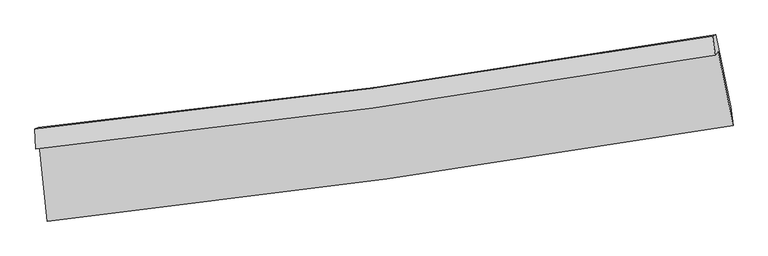
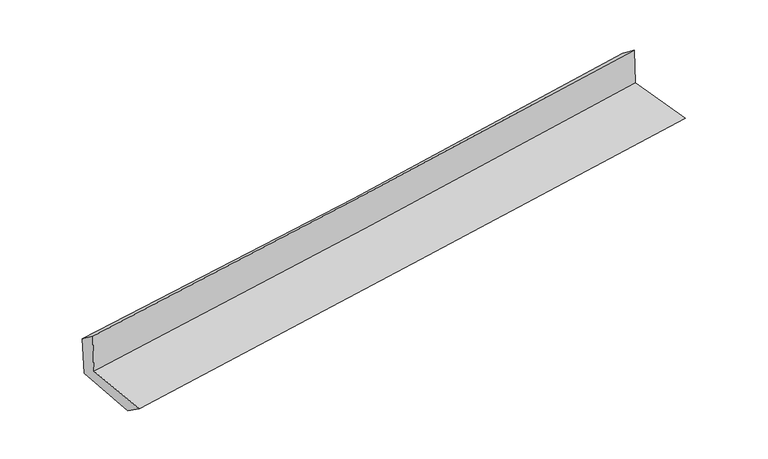
"""IFC4 building model written with IfcOpenShell, lengths in millimetres: proxy geometry."""

from ifc_helpers import new_model, si_unit, frame, origin, place, context, project, spatial, source, transform, mapped, element, save
from ifc_brep_helpers import plane_surface, spline_curve, spline_surface, advanced_brep


def generic_models_031efea0(model_context):
    return source(origin(), model_context, "Body", "AdvancedBrep", [
        advanced_brep(
        [(-3014.6118094, -1899.3294452, 1644.8091704), (-2941.8177392, -2571.3187015, 1623.6889347), (3114.5444617, -1723.4330701, 2120.3890634), (2982.4991841, -1071.6101126, 2151.2049593), (-3043.952931, -1930.597689, 2050.4738153), (2955.4624069, -1100.8839319, 2532.0308144), (-3051.9352954, -1755.7863058, 1919.8614661), (2933.3173168, -934.078293, 2404.8949722), (-3021.9159844, -1744.1308975, 1531.5517897), (2963.5421419, -922.8358153, 2028.604404), (-2950.7046861, -2390.6166784, 1496.572621), (3092.2644783, -1555.2908441, 1991.7411689)],
        [
            (0, 1),
            (1, 2, spline_curve(3, [(-2941.8177392, -2571.3187015, 1623.6889347), (-1941.652088564, -2461.787596989, 1730.447798092), (-942.093054458, -2337.253688553, 1824.918819846), (1076.720005034, -2055.259738889, 1991.005285046), (2095.94837097, -1897.165103559, 2062.100973138), (3114.5444617, -1723.4330701, 2120.3890634)], [4, 2, 4], [0.0, 9.913780920809323, 20.035058765658004])),
            (2, 3),
            (3, 0, spline_curve(3, [(2982.4991841, -1071.6101126, 2151.2049593), (1975.975855134, -1245.238447495, 2086.299167672), (967.761757313, -1401.566255567, 2011.104103631), (-1031.343854692, -1676.770612987, 1841.88794988), (-2022.166754909, -1796.349248817, 1748.284417712), (-3014.6118094, -1899.3294452, 1644.8091704)], [4, 2, 4], [0.0, 10.12127784484868, 20.035058765658004])),
            (4, 0),
            (3, 5),
            (5, 4, spline_curve(3, [(2955.4624069, -1100.8839319, 2532.0308144), (1948.672480356, -1274.716875204, 2469.53955582), (940.130437752, -1431.315590919, 2397.652250406), (-1059.745779213, -1707.187446958, 2236.751942257), (-2051.00884909, -1827.159983784, 2148.120247548), (-3043.952931, -1930.597689, 2050.4738153)], [4, 2, 4], [0.0, 10.071569815486791, 19.936661774225012])),
            (6, 4),
            (5, 7),
            (7, 6, spline_curve(3, [(2933.3173168, -934.078293, 2404.8949722), (1929.84324808, -1106.503245966, 2333.471251022), (924.146763753, -1261.724221706, 2256.868229321), (-1071.027629948, -1534.928723931, 2094.980208379), (-2060.415349836, -1653.610418915, 2009.905394758), (-3051.9352954, -1755.7863058, 1919.8614661)], [4, 2, 4], [0.0, 10.059517567340045, 19.912804361793512])),
            (8, 6),
            (7, 9),
            (9, 8, spline_curve(3, [(2963.5421419, -922.8358153, 2028.604404), (1959.970378668, -1095.300977254, 1955.839062973), (954.208070424, -1250.506722169, 1877.549732275), (-1041.033534532, -1523.571330704, 1711.641354224), (-2030.423934981, -1642.13061365, 1624.246479874), (-3021.9159844, -1744.1308975, 1531.5517897)], [4, 2, 4], [0.0, 10.048028614304393, 19.89006199143735])),
            (10, 8),
            (9, 11),
            (11, 10, spline_curve(3, [(3092.2644783, -1555.2908441, 1991.7411689), (2077.74010905, -1728.539789414, 1916.917427894), (1061.665842618, -1885.326940325, 1837.769830875), (-952.720109626, -2163.100835321, 1672.53817799), (-1950.968898429, -2284.755628973, 1586.629592423), (-2950.7046861, -2390.6166784, 1496.572621)], [4, 2, 4], [0.0, 10.097360889717313, 19.987715178326646])),
            (1, 10),
            (11, 2),
        ],
        [
            spline_surface(3, 3, [[(-3014.6118094, -1899.3294452, 1644.8091704), (-2022.166755072, -1796.349248772, 1748.284417686), (-1031.343854847, -1676.770612899, 1841.88794987), (967.761757471, -1401.566255657, 2011.104103642), (1975.975855068, -1245.238447335, 2086.299167761), (2982.4991841, -1071.6101126, 2151.2049593)], [(-2990.347119337, -2123.325863962, 1637.769091851), (-1995.328532862, -2018.162031536, 1742.338877894), (-1001.593587985, -1896.931638107, 1836.231573181), (1004.081173295, -1619.464083399, 2004.404497446), (2015.966693731, -1462.547332759, 2078.233102878), (3026.514276633, -1288.884431741, 2140.932993996)], [(-2966.082429263, -2347.322282738, 1630.729013249), (-1968.490310641, -2239.974814313, 1736.393338048), (-971.843321177, -2117.092663333, 1830.57519651), (1040.400589065, -1837.361911159, 1997.704891268), (2055.957532393, -1679.85621826, 2070.167038006), (3070.529369167, -1506.158750959, 2130.661028704)], [(-2941.8177392, -2571.3187015, 1623.6889347), (-1941.652088431, -2461.787597077, 1730.447798256), (-942.093054316, -2337.253688541, 1824.91881982), (1076.720004889, -2055.259738901, 1991.005285073), (2095.948371055, -1897.165103685, 2062.100973122), (3114.5444617, -1723.4330701, 2120.3890634)]], [4, 4], [4, 2, 4], [0.0, 2.180908061949115], [0.0, 9.913780920809323, 20.035058765658004]),
            spline_surface(3, 3, [[(-3043.952931, -1930.597689, 2050.4738153), (-2051.008848998, -1827.15998365, 2148.120247609), (-1059.745779089, -1707.187446898, 2236.751942111), (940.130437625, -1431.31559098, 2397.652250556), (1948.672480337, -1274.716875354, 2469.539555721), (2955.4624069, -1100.8839319, 2532.0308144)], [(-3034.172557132, -1920.174941079, 1915.252266998), (-2041.394817689, -1816.889738703, 2014.841637633), (-1050.278471015, -1697.048502237, 2105.130611354), (949.340877567, -1421.399145878, 2268.802868241), (1957.773605248, -1264.890732684, 2341.792759714), (2964.474665967, -1091.125992137, 2405.08886268)], [(-3024.392183268, -1909.752193121, 1780.030718702), (-2031.780786382, -1806.619493719, 1881.563027663), (-1040.81116292, -1686.90955756, 1973.509280627), (958.551317529, -1411.482700759, 2139.953485956), (1966.874730157, -1255.064590004, 2214.045963768), (2973.486925033, -1081.368052363, 2278.14691102)], [(-3014.6118094, -1899.3294452, 1644.8091704), (-2022.166755072, -1796.349248772, 1748.284417686), (-1031.343854847, -1676.770612899, 1841.88794987), (967.761757471, -1401.566255657, 2011.104103642), (1975.975855068, -1245.238447335, 2086.299167761), (2982.4991841, -1071.6101126, 2151.2049593)]], [4, 4], [4, 2, 4], [0.0, 1.2886361629647356], [0.0, 9.86509195873822, 19.936661774225012]),
            spline_surface(3, 3, [[(-3051.9352954, -1755.7863058, 1919.8614661), (-2060.415349777, -1653.610419051, 2009.905394902), (-1071.027629966, -1534.928723874, 2094.980208417), (924.146763772, -1261.724221765, 2256.868229282), (1929.843248046, -1106.503246002, 2333.471251105), (2933.3173168, -934.078293, 2404.8949722)], [(-3049.274507263, -1814.056766871, 1963.398915842), (-2057.279849513, -1711.460273922, 2055.977012479), (-1067.267013002, -1592.348298241, 2142.237452997), (929.474655061, -1318.254678195, 2303.796236388), (1936.119658828, -1162.574455793, 2378.827352653), (2940.699013519, -989.68017264, 2447.273586277)], [(-3046.613719137, -1872.327227929, 2006.936365558), (-2054.144349262, -1769.310128779, 2102.048630032), (-1063.506396053, -1649.767872531, 2189.494697532), (934.802546336, -1374.78513455, 2350.72424345), (1942.396069555, -1218.645665563, 2424.183454172), (2948.080710181, -1045.28205226, 2489.652200323)], [(-3043.952931, -1930.597689, 2050.4738153), (-2051.008848998, -1827.15998365, 2148.120247609), (-1059.745779089, -1707.187446898, 2236.751942111), (940.130437625, -1431.31559098, 2397.652250556), (1948.672480337, -1274.716875354, 2469.539555721), (2955.4624069, -1100.8839319, 2532.0308144)]], [4, 4], [4, 2, 4], [0.0, 0.7288287025814101], [0.0, 9.853286794453467, 19.912804361793512]),
            spline_surface(3, 3, [[(-3021.9159844, -1744.1308975, 1531.5517897), (-2030.423935072, -1642.1306135, 1624.246479881), (-1041.033534591, -1523.571330794, 1711.641354073), (954.208070484, -1250.506722078, 1877.549732429), (1959.970378802, -1095.300977378, 1955.839062996), (2963.5421419, -922.8358153, 2028.604404)], [(-3031.922421413, -1748.016033607, 1660.98834849), (-2040.42107332, -1645.957215357, 1752.799451545), (-1051.031566394, -1527.357128479, 1839.420972182), (944.187634902, -1254.245888633, 2003.989231375), (1949.928001878, -1099.035066926, 2081.716459033), (2953.467200194, -926.583307874, 2154.0345934)], [(-3041.928858387, -1751.901169693, 1790.42490731), (-2050.418211529, -1649.783817193, 1881.352423238), (-1061.029598163, -1531.142926188, 1967.200590307), (934.167199354, -1257.98505521, 2130.428730337), (1939.885624971, -1102.769156453, 2207.593855068), (2943.392258506, -930.330800426, 2279.4647828)], [(-3051.9352954, -1755.7863058, 1919.8614661), (-2060.415349777, -1653.610419051, 2009.905394902), (-1071.027629966, -1534.928723874, 2094.980208417), (924.146763772, -1261.724221765, 2256.868229282), (1929.843248046, -1106.503246002, 2333.471251105), (2933.3173168, -934.078293, 2404.8949722)]], [4, 4], [4, 2, 4], [0.0, 1.2553617052643993], [0.0, 9.842033377132957, 19.89006199143735]),
            spline_surface(3, 3, [[(-2950.7046861, -2390.6166784, 1496.572621), (-1950.968898298, -2284.755629137, 1586.629592534), (-952.720109722, -2163.10083537, 1672.538178118), (1061.665842716, -1885.326940275, 1837.769830744), (2077.740108961, -1728.539789281, 1916.917427747), (3092.2644783, -1555.2908441, 1991.7411689)], [(-2974.441785528, -2175.121418096, 1508.232343906), (-1977.45391055, -2070.547290587, 1599.168554989), (-982.157917992, -1949.924333843, 1685.572570105), (1025.846585325, -1673.720200875, 1851.029797975), (2038.483532241, -1517.460185315, 1929.89130615), (3049.357032833, -1344.472501169, 2004.02891392)], [(-2998.178884972, -1959.626157804, 1519.892066794), (-2003.938922819, -1856.338952049, 1611.707517426), (-1011.595726321, -1736.74783232, 1698.606962086), (990.027327875, -1462.113461478, 1864.289765199), (1999.226955522, -1306.380581343, 1942.865184593), (3006.449587367, -1133.654158231, 2016.31665898)], [(-3021.9159844, -1744.1308975, 1531.5517897), (-2030.423935072, -1642.1306135, 1624.246479881), (-1041.033534591, -1523.571330794, 1711.641354073), (954.208070484, -1250.506722078, 1877.549732429), (1959.970378802, -1095.300977378, 1955.839062996), (2963.5421419, -922.8358153, 2028.604404)]], [4, 4], [4, 2, 4], [0.0, 2.1188908080344446], [0.0, 9.890354288609332, 19.987715178326646]),
            spline_surface(3, 3, [[(-2941.8177392, -2571.3187015, 1623.6889347), (-1941.652088431, -2461.787597077, 1730.447798256), (-942.093054316, -2337.253688541, 1824.91881982), (1076.720004889, -2055.259738901, 1991.005285073), (2095.948371055, -1897.165103685, 2062.100973122), (3114.5444617, -1723.4330701, 2120.3890634)], [(-2944.780054828, -2511.084693785, 1581.316830114), (-1944.757691714, -2402.776941081, 1682.508396329), (-945.635406142, -2279.202737467, 1774.12527259), (1071.701950807, -1998.615472676, 1939.9268003), (2089.878950344, -1840.956665556, 2013.706458025), (3107.117800553, -1667.385661439, 2077.506431927)], [(-2947.742370472, -2450.850686115, 1538.944725586), (-1947.863295015, -2343.766285132, 1634.568994461), (-949.177757896, -2221.151786443, 1723.331725348), (1066.683896798, -1941.9712065, 1888.848315517), (2083.809529673, -1784.74822741, 1965.311942844), (3099.691139447, -1611.338252761, 2034.623800373)], [(-2950.7046861, -2390.6166784, 1496.572621), (-1950.968898298, -2284.755629137, 1586.629592534), (-952.720109722, -2163.10083537, 1672.538178118), (1061.665842716, -1885.326940275, 1837.769830744), (2077.740108961, -1728.539789281, 1916.917427747), (3092.2644783, -1555.2908441, 1991.7411689)]], [4, 4], [4, 2, 4], [0.0, 0.756032825265276], [0.0, 9.950223091486665, 20.10870584711974]),
            plane_surface(frame((3006.9383316, -1218.0220112, 2204.810897), z_axis=(0.9773708566313569, 0.19400876675640572, 0.08430188034288771), x_axis=(-0.08002975115277808, -0.02976800331824253, 0.9963478834768856))),
            plane_surface(frame((-3004.1564076, -2048.6299529, 1711.1596329), z_axis=(-0.9912801488295283, -0.10487416819228407, -0.0797814225398673), x_axis=(-0.10764366326883557, 0.9936988690910606, 0.031231383658313343))),
        ],
        [
            (0, [[1, 2, 3, 4]]),
            (1, [[5, -4, 6, 7]]),
            (2, [[8, -7, 9, 10]]),
            (3, [[11, -10, 12, 13]]),
            (4, [[14, -13, 15, 16]]),
            (5, [[17, -16, 18, -2]]),
            (6, [[-12, -9, -6, -3, -18, -15]]),
            (7, [[-1, -5, -8, -11, -14, -17]]),
        ],
    ),
    ])


if __name__ == "__main__":
    model = new_model("IFC4")
    model_context = context("Model", 3, world=origin())
    ifc_project = project(units=[si_unit("LENGTHUNIT", "METRE", prefix="MILLI")], contexts=[model_context])
    site = spatial("IfcSite", under=ifc_project)
    building = spatial("IfcBuilding", under=site)
    placement = place(None, origin())
    generic_models_shape = generic_models_031efea0(model_context)
    element("IfcBuildingElementProxy", 1, Name="Generic Models", at=placement, inside=building, context=model_context, shape_type="MappedRepresentation", body=[
        mapped(generic_models_shape, transform((0.0, 0.0, 0.0), x_axis=(1.0, 0.0, 0.0), y_axis=(0.0, 1.0, 0.0), z_axis=(0.0, 0.0, 1.0))),
    ])
    save(model, "model.ifc")
